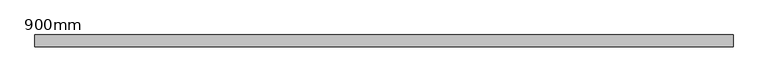
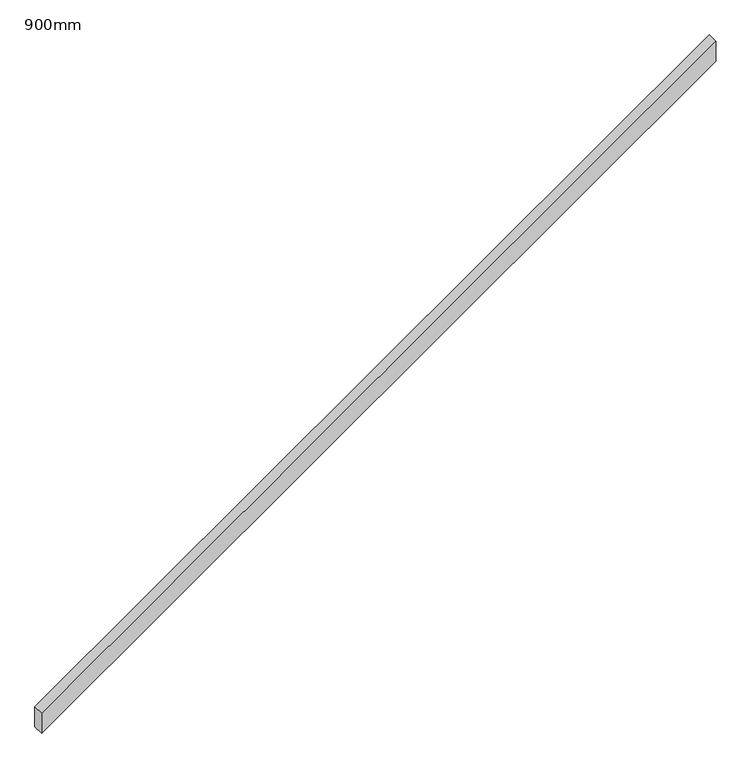
"""IFC4 building model written with IfcOpenShell, lengths in millimetres: railing geometry, 900mm."""

from ifc_helpers import new_model, si_unit, frame, origin, place, context, project, spatial, polyline, outline, extrude, source, transform, mapped, element, save


def railing_900mm_ea26244b(model_context):
    return source(origin(), model_context, "Body", "SweptSolid", [
        extrude(outline(polyline([(1075.5384615, 144147.861144), (982.4302923, 144147.861144), (3088.8918307, 147147.861144), (3182.0, 147147.861144), (1075.5384615, 144147.861144)])), frame((0.0, 45730.0558522, 0.0), z_axis=(0.0, 1.0, 0.0), x_axis=(0.0, 0.0, 1.0)), (0.0, 0.0, 1.0), 50.8),
    ])


if __name__ == "__main__":
    model = new_model("IFC4")
    model_context = context("Model", 3, world=origin())
    ifc_project = project(units=[si_unit("LENGTHUNIT", "METRE", prefix="MILLI")], contexts=[model_context])
    site = spatial("IfcSite", under=ifc_project)
    building = spatial("IfcBuilding", under=site)
    placement = place(None, origin())
    railing_900mm_shape = railing_900mm_ea26244b(model_context)
    element("IfcRailing", 1, ObjectType="900mm", at=placement, inside=building, context=model_context, shape_type="MappedRepresentation", body=[
        mapped(railing_900mm_shape, transform((0.0, 0.0, 0.0), x_axis=(1.0, 0.0, 0.0), y_axis=(0.0, 1.0, 0.0), z_axis=(0.0, 0.0, 1.0))),
    ])
    save(model, "model.ifc")
